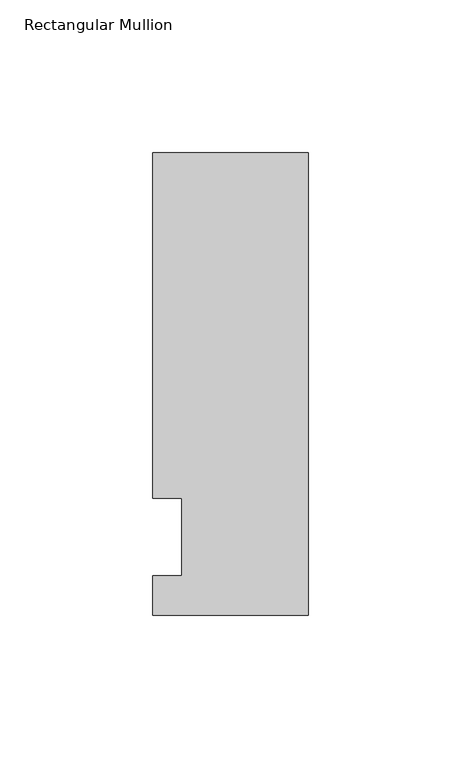
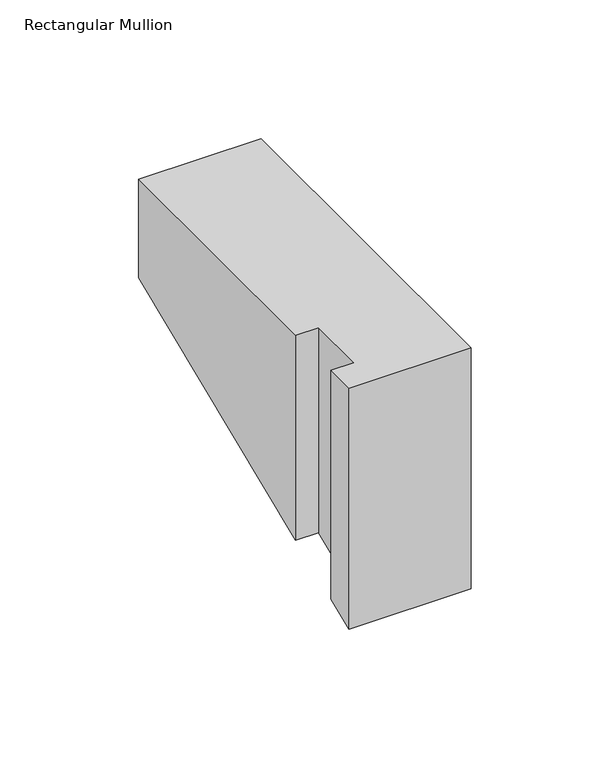
"""IFC4 building model written with IfcOpenShell, lengths in millimetres: member geometry, Rectangular Mullion."""

from ifc_helpers import new_model, si_unit, origin, place, context, project, spatial, faceted_brep, source, transform, mapped, element, save


def rectangular_mullion_61e173b5(model_context):
    return source(origin(), model_context, "Body", "Brep", [
        faceted_brep([(-50.8, -25.5984375, 0.0), (0.0, -25.5984375, 0.0), (0.0, 125.6109375, 0.0), (-50.8, 125.6109375, 0.0), (-50.8, 12.7, 0.0), (-41.275, 12.7, 0.0), (-41.275, -12.7, 0.0), (-50.8, -12.7, 0.0), (-50.8, -25.5984375, -105.85322), (0.0, -25.5984375, -105.85322), (0.0, 125.6109375, -43.2202461), (-50.8, 125.6109375, -43.2202461), (-50.8, 12.7, -89.9894878), (-41.275, 12.7, -89.9894878), (-41.275, -12.7, -100.5105122), (-50.8, -12.7, -100.5105122)], [[[0, 1, 2, 3, 4, 5, 6, 7]], [[1, 0, 8, 9]], [[2, 1, 9, 10]], [[3, 2, 10, 11]], [[4, 3, 11, 12]], [[5, 4, 12, 13]], [[6, 5, 13, 14]], [[7, 6, 14, 15]], [[0, 7, 15, 8]], [[8, 15, 14, 13, 12, 11, 10, 9]]]),
    ])


if __name__ == "__main__":
    model = new_model("IFC4")
    model_context = context("Model", 3, world=origin())
    ifc_project = project(units=[si_unit("LENGTHUNIT", "METRE", prefix="MILLI")], contexts=[model_context])
    site = spatial("IfcSite", under=ifc_project)
    building = spatial("IfcBuilding", under=site)
    placement = place(None, origin())
    rectangular_mullion_shape = rectangular_mullion_61e173b5(model_context)
    element("IfcMember", 1, ObjectType="Rectangular Mullion", at=placement, inside=building, context=model_context, shape_type="MappedRepresentation", body=[
        mapped(rectangular_mullion_shape, transform((0.0, 0.0, 0.0), x_axis=(1.0, 0.0, 0.0), y_axis=(0.0, 1.0, 0.0), z_axis=(0.0, 0.0, 1.0))),
    ])
    save(model, "model.ifc")
